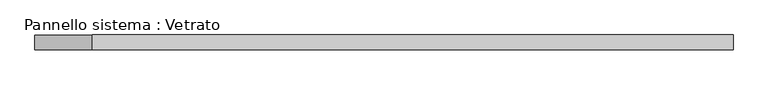
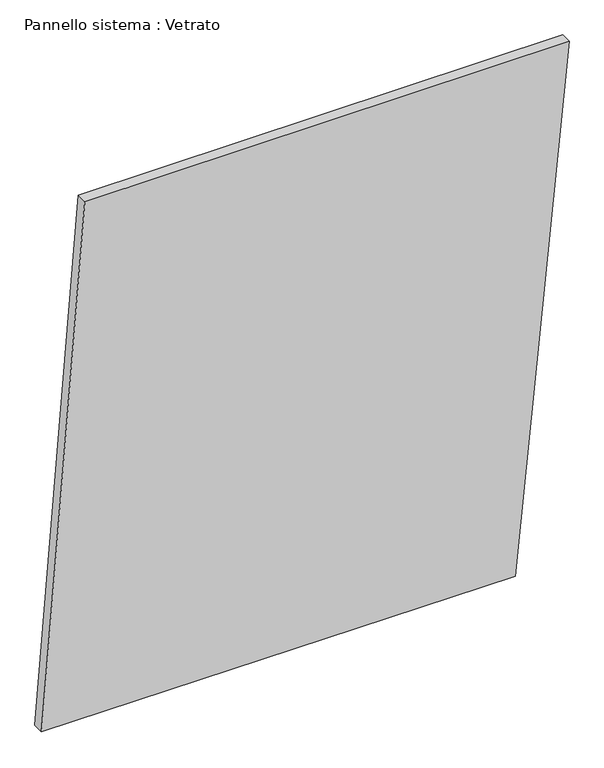
"""IFC4 building model written with IfcOpenShell, lengths in millimetres: plate geometry, Pannello sistema : Vetrato."""

from ifc_helpers import new_model, si_unit, frame, origin, place, context, project, spatial, polyline, outline, extrude, source, transform, mapped, element, save


def pannello_sistema_vetrato_d86f61b6(model_context):
    return source(origin(), model_context, "Body", "SweptSolid", [
        extrude(outline(polyline([(3.6156474, -707.0918609), (0.0, 563.4213783), (1464.776258, 707.0918609), (1464.776258, -590.9139927), (3.6156474, -707.0918609)])), frame((0.0, -15.0, 0.0), z_axis=(0.0, 1.0, 0.0), x_axis=(0.0, 0.0, 1.0)), (0.0, 0.0, 1.0), 30.0),
    ])


if __name__ == "__main__":
    model = new_model("IFC4")
    model_context = context("Model", 3, world=origin())
    ifc_project = project(units=[si_unit("LENGTHUNIT", "METRE", prefix="MILLI")], contexts=[model_context])
    site = spatial("IfcSite", under=ifc_project)
    building = spatial("IfcBuilding", under=site)
    placement = place(None, origin())
    pannello_sistema_vetrato_shape = pannello_sistema_vetrato_d86f61b6(model_context)
    element("IfcPlate", 1, ObjectType="Pannello sistema : Vetrato", at=placement, inside=building, context=model_context, shape_type="MappedRepresentation", body=[
        mapped(pannello_sistema_vetrato_shape, transform((0.0, 0.0, 0.0), x_axis=(1.0, 0.0, 0.0), y_axis=(0.0, 1.0, 0.0), z_axis=(0.0, 0.0, 1.0))),
    ])
    save(model, "model.ifc")
